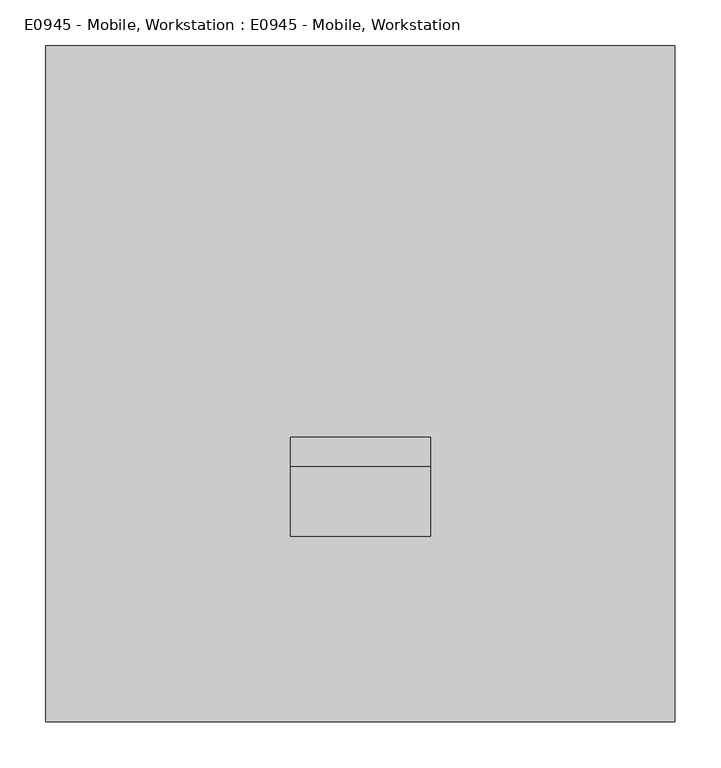
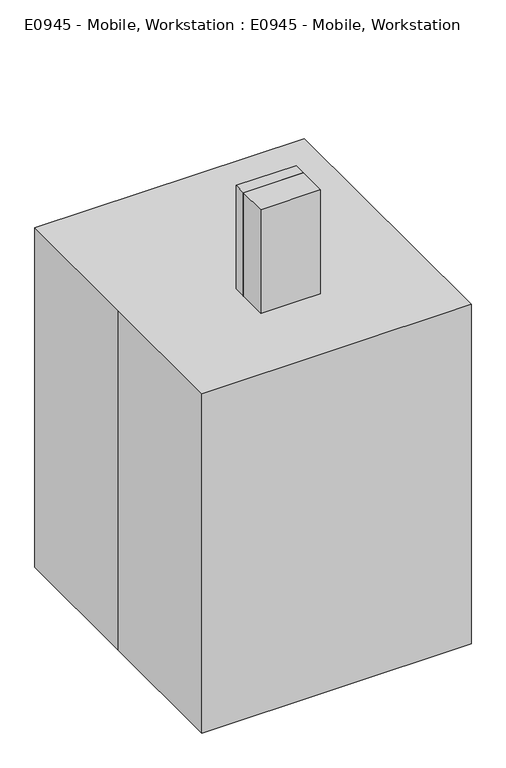
"""IFC4 building model written with IfcOpenShell, lengths in millimetres: proxy geometry, E0945 - Mobile, Workstation : E0945 - Mobile, Workstation."""

from ifc_helpers import new_model, si_unit, point, frame, frame_2d, origin, origin_with_axes, place, context, project, spatial, polyline, circle_curve, trimmed, segment, composite_curve, outline, extrude, faceted_brep, source, transform, mapped, element, save


def e0945_mobile_workstation_e0945_mobile_workstation_f796635f(model_context):
    return source(origin(), model_context, "Body", "SolidModel", [
        extrude(outline(polyline([(196.85, 635.0), (196.85, 609.6), (-58.0280886, 444.5), (-58.0280886, 635.0), (196.85, 635.0)])), frame((57.15, 0.0, 0.0), z_axis=(1.0, 0.0, 0.0), x_axis=(0.0, 1.0, 0.0)), (0.0, 0.0, 1.0), 19.05),
        faceted_brep([(211.1375, 4.7625, 644.525), (211.1375, 255.5875, 644.525), (211.1375, 255.5875, 639.7625), (211.1375, 4.7625, 639.7625), (215.9, 0.0, 644.525), (215.9, 0.0, 635.0), (215.9, 260.35, 635.0), (215.9, 260.35, 644.525), (-211.1375, 255.5875, 644.525), (-211.1375, 255.5875, 639.7625), (-215.9, 260.35, 635.0), (-215.9, 260.35, 644.525), (-211.1375, 4.7625, 644.525), (-211.1375, 4.7625, 639.7625), (-215.9, 0.0, 635.0), (-215.9, 0.0, 644.525)], [[[0, 1, 2, 3]], [[4, 5, 6, 7]], [[1, 8, 9, 2]], [[6, 10, 11, 7]], [[8, 12, 13, 9]], [[10, 14, 15, 11]], [[3, 13, 12, 0]], [[7, 11, 15, 4], [0, 12, 8, 1]], [[4, 15, 14, 5]], [[5, 14, 10, 6]], [[2, 9, 13, 3]]]),
        extrude(outline(polyline([(196.85, 635.0), (196.85, 609.6), (-58.0280886, 444.5), (-58.0280886, 635.0), (196.85, 635.0)])), frame((-76.2, 0.0, 0.0), z_axis=(1.0, 0.0, 0.0), x_axis=(0.0, 1.0, 0.0)), (0.0, 0.0, 1.0), 19.05),
        extrude(outline(polyline([(76.2, -89.7780886), (-76.2, -89.7780886), (-76.2, -58.0280886), (76.2, -58.0280886), (76.2, -89.7780886)])), frame((0.0, 0.0, 444.5), z_axis=(0.0, 0.0, 1.0), x_axis=(1.0, 0.0, 0.0)), (0.0, 0.0, 1.0), 749.3),
        extrude(outline(composite_curve([segment(polyline([(-165.9780886, 1193.8), (-89.7780886, 1193.8), (-89.7780886, 182.7496596)]), True, "CONTINUOUS"), segment(trimmed(circle_curve(frame_2d((-29.5735373, 190.9359281)), 60.7585631), [point((-89.7780886, 182.7496596))], [point((-62.2305834, 139.7))], True, "CARTESIAN"), True, "CONTINUOUS"), segment(polyline([(-62.2305834, 139.7), (-165.9780886, 139.7), (-165.9780886, 1193.8)]), True, "CONTINUOUS")], self_intersect=False)), frame((-76.2, 0.0, 0.0), z_axis=(1.0, 0.0, 0.0), x_axis=(0.0, 1.0, 0.0)), (0.0, 0.0, 1.0), 152.4),
        extrude(outline(composite_curve([segment(trimmed(circle_curve(frame_2d((-215.9, -257.2471418)), 9.525), [point((-206.375, -257.2471418))], [point((-225.425, -257.2471418))], False, "CARTESIAN"), True, "CONTINUOUS"), segment(trimmed(circle_curve(frame_2d((-215.9, -257.2471418)), 9.525), [point((-225.425, -257.2471418))], [point((-206.375, -257.2471418))], False, "CARTESIAN"), True, "CONTINUOUS")], self_intersect=False)), frame((0.0, 0.0, 38.9774203), z_axis=(0.0, 0.0, 1.0), x_axis=(1.0, 0.0, 0.0)), (0.0, 0.0, 1.0), 49.9225797),
        extrude(outline(composite_curve([segment(trimmed(circle_curve(frame_2d((-260.2876401, 38.1)), 38.1), [point((-298.3876401, 38.1))], [point((-222.1876401, 38.1))], False, "CARTESIAN"), True, "CONTINUOUS"), segment(trimmed(circle_curve(frame_2d((-260.2876401, 38.1)), 38.1), [point((-222.1876401, 38.1))], [point((-298.3876401, 38.1))], False, "CARTESIAN"), True, "CONTINUOUS")], self_intersect=False)), frame((-206.375, 0.0, 0.0), z_axis=(1.0, 0.0, 0.0), x_axis=(0.0, 1.0, 0.0)), (0.0, 0.0, 1.0), 9.525),
        extrude(outline(composite_curve([segment(trimmed(circle_curve(frame_2d((-260.35, 38.1)), 19.05), [point((-279.4, 38.1))], [point((-241.3, 38.1))], False, "CARTESIAN"), True, "CONTINUOUS"), segment(trimmed(circle_curve(frame_2d((-260.35, 38.1)), 19.05), [point((-241.3, 38.1))], [point((-279.4, 38.1))], False, "CARTESIAN"), True, "CONTINUOUS")], self_intersect=False)), frame((-225.425, 0.0, 0.0), z_axis=(1.0, 0.0, 0.0), x_axis=(0.0, 1.0, 0.0)), (0.0, 0.0, 1.0), 19.05),
        extrude(outline(composite_curve([segment(trimmed(circle_curve(frame_2d((-260.2876401, 38.1)), 38.1), [point((-298.3876401, 38.1))], [point((-222.1876401, 38.1))], False, "CARTESIAN"), True, "CONTINUOUS"), segment(trimmed(circle_curve(frame_2d((-260.2876401, 38.1)), 38.1), [point((-222.1876401, 38.1))], [point((-298.3876401, 38.1))], False, "CARTESIAN"), True, "CONTINUOUS")], self_intersect=False)), frame((-234.95, 0.0, 0.0), z_axis=(1.0, 0.0, 0.0), x_axis=(0.0, 1.0, 0.0)), (0.0, 0.0, 1.0), 9.525),
        extrude(outline(composite_curve([segment(trimmed(circle_curve(frame_2d((-215.9, 257.2471418)), 9.525), [point((-206.375, 257.2471418))], [point((-225.425, 257.2471418))], False, "CARTESIAN"), True, "CONTINUOUS"), segment(trimmed(circle_curve(frame_2d((-215.9, 257.2471418)), 9.525), [point((-225.425, 257.2471418))], [point((-206.375, 257.2471418))], False, "CARTESIAN"), True, "CONTINUOUS")], self_intersect=False)), frame((0.0, 0.0, 38.9774203), z_axis=(0.0, 0.0, 1.0), x_axis=(1.0, 0.0, 0.0)), (0.0, 0.0, 1.0), 49.9225797),
        extrude(outline(composite_curve([segment(trimmed(circle_curve(frame_2d((260.2876401, 38.1)), 38.1), [point((298.3876401, 38.1))], [point((222.1876401, 38.1))], False, "CARTESIAN"), True, "CONTINUOUS"), segment(trimmed(circle_curve(frame_2d((260.2876401, 38.1)), 38.1), [point((222.1876401, 38.1))], [point((298.3876401, 38.1))], False, "CARTESIAN"), True, "CONTINUOUS")], self_intersect=False)), frame((-206.375, 0.0, 0.0), z_axis=(1.0, 0.0, 0.0), x_axis=(0.0, 1.0, 0.0)), (0.0, 0.0, 1.0), 9.525),
        extrude(outline(composite_curve([segment(trimmed(circle_curve(frame_2d((260.35, 38.1)), 19.05), [point((279.4, 38.1))], [point((241.3, 38.1))], False, "CARTESIAN"), True, "CONTINUOUS"), segment(trimmed(circle_curve(frame_2d((260.35, 38.1)), 19.05), [point((241.3, 38.1))], [point((279.4, 38.1))], False, "CARTESIAN"), True, "CONTINUOUS")], self_intersect=False)), frame((-225.425, 0.0, 0.0), z_axis=(1.0, 0.0, 0.0), x_axis=(0.0, 1.0, 0.0)), (0.0, 0.0, 1.0), 19.05),
        extrude(outline(composite_curve([segment(trimmed(circle_curve(frame_2d((260.2876401, 38.1)), 38.1), [point((298.3876401, 38.1))], [point((222.1876401, 38.1))], False, "CARTESIAN"), True, "CONTINUOUS"), segment(trimmed(circle_curve(frame_2d((260.2876401, 38.1)), 38.1), [point((222.1876401, 38.1))], [point((298.3876401, 38.1))], False, "CARTESIAN"), True, "CONTINUOUS")], self_intersect=False)), frame((-234.95, 0.0, 0.0), z_axis=(1.0, 0.0, 0.0), x_axis=(0.0, 1.0, 0.0)), (0.0, 0.0, 1.0), 9.525),
        extrude(outline(composite_curve([segment(trimmed(circle_curve(frame_2d((215.9, -257.2471418)), 9.525), [point((206.375, -257.2471418))], [point((225.425, -257.2471418))], False, "CARTESIAN"), True, "CONTINUOUS"), segment(trimmed(circle_curve(frame_2d((215.9, -257.2471418)), 9.525), [point((225.425, -257.2471418))], [point((206.375, -257.2471418))], False, "CARTESIAN"), True, "CONTINUOUS")], self_intersect=False)), frame((0.0, 0.0, 38.9774203), z_axis=(0.0, 0.0, 1.0), x_axis=(1.0, 0.0, 0.0)), (0.0, 0.0, 1.0), 49.9225797),
        extrude(outline(composite_curve([segment(trimmed(circle_curve(frame_2d((-260.2876401, 38.1)), 38.1), [point((-298.3876401, 38.1))], [point((-222.1876401, 38.1))], False, "CARTESIAN"), True, "CONTINUOUS"), segment(trimmed(circle_curve(frame_2d((-260.2876401, 38.1)), 38.1), [point((-222.1876401, 38.1))], [point((-298.3876401, 38.1))], False, "CARTESIAN"), True, "CONTINUOUS")], self_intersect=False)), frame((196.85, 0.0, 0.0), z_axis=(1.0, 0.0, 0.0), x_axis=(0.0, 1.0, 0.0)), (0.0, 0.0, 1.0), 9.525),
        extrude(outline(composite_curve([segment(trimmed(circle_curve(frame_2d((-260.35, 38.1)), 19.05), [point((-279.4, 38.1))], [point((-241.3, 38.1))], False, "CARTESIAN"), True, "CONTINUOUS"), segment(trimmed(circle_curve(frame_2d((-260.35, 38.1)), 19.05), [point((-241.3, 38.1))], [point((-279.4, 38.1))], False, "CARTESIAN"), True, "CONTINUOUS")], self_intersect=False)), frame((206.375, 0.0, 0.0), z_axis=(1.0, 0.0, 0.0), x_axis=(0.0, 1.0, 0.0)), (0.0, 0.0, 1.0), 19.05),
        extrude(outline(composite_curve([segment(trimmed(circle_curve(frame_2d((-260.2876401, 38.1)), 38.1), [point((-298.3876401, 38.1))], [point((-222.1876401, 38.1))], False, "CARTESIAN"), True, "CONTINUOUS"), segment(trimmed(circle_curve(frame_2d((-260.2876401, 38.1)), 38.1), [point((-222.1876401, 38.1))], [point((-298.3876401, 38.1))], False, "CARTESIAN"), True, "CONTINUOUS")], self_intersect=False)), frame((225.425, 0.0, 0.0), z_axis=(1.0, 0.0, 0.0), x_axis=(0.0, 1.0, 0.0)), (0.0, 0.0, 1.0), 9.525),
        extrude(outline(composite_curve([segment(trimmed(circle_curve(frame_2d((215.9, 257.2471418)), 9.525), [point((206.375, 257.2471418))], [point((225.425, 257.2471418))], False, "CARTESIAN"), True, "CONTINUOUS"), segment(trimmed(circle_curve(frame_2d((215.9, 257.2471418)), 9.525), [point((225.425, 257.2471418))], [point((206.375, 257.2471418))], False, "CARTESIAN"), True, "CONTINUOUS")], self_intersect=False)), frame((0.0, 0.0, 38.9774203), z_axis=(0.0, 0.0, 1.0), x_axis=(1.0, 0.0, 0.0)), (0.0, 0.0, 1.0), 49.9225797),
        extrude(outline(composite_curve([segment(trimmed(circle_curve(frame_2d((260.2876401, 38.1)), 38.1), [point((298.3876401, 38.1))], [point((222.1876401, 38.1))], False, "CARTESIAN"), True, "CONTINUOUS"), segment(trimmed(circle_curve(frame_2d((260.2876401, 38.1)), 38.1), [point((222.1876401, 38.1))], [point((298.3876401, 38.1))], False, "CARTESIAN"), True, "CONTINUOUS")], self_intersect=False)), frame((196.85, 0.0, 0.0), z_axis=(1.0, 0.0, 0.0), x_axis=(0.0, 1.0, 0.0)), (0.0, 0.0, 1.0), 9.525),
        extrude(outline(composite_curve([segment(trimmed(circle_curve(frame_2d((260.35, 38.1)), 19.05), [point((279.4, 38.1))], [point((241.3, 38.1))], False, "CARTESIAN"), True, "CONTINUOUS"), segment(trimmed(circle_curve(frame_2d((260.35, 38.1)), 19.05), [point((241.3, 38.1))], [point((279.4, 38.1))], False, "CARTESIAN"), True, "CONTINUOUS")], self_intersect=False)), frame((206.375, 0.0, 0.0), z_axis=(1.0, 0.0, 0.0), x_axis=(0.0, 1.0, 0.0)), (0.0, 0.0, 1.0), 19.05),
        extrude(outline(composite_curve([segment(trimmed(circle_curve(frame_2d((260.2876401, 38.1)), 38.1), [point((298.3876401, 38.1))], [point((222.1876401, 38.1))], False, "CARTESIAN"), True, "CONTINUOUS"), segment(trimmed(circle_curve(frame_2d((260.2876401, 38.1)), 38.1), [point((222.1876401, 38.1))], [point((298.3876401, 38.1))], False, "CARTESIAN"), True, "CONTINUOUS")], self_intersect=False)), frame((225.425, 0.0, 0.0), z_axis=(1.0, 0.0, 0.0), x_axis=(0.0, 1.0, 0.0)), (0.0, 0.0, 1.0), 9.525),
        extrude(outline(composite_curve([segment(polyline([(93.9865963, -192.9187071), (-93.9865963, -192.9187071), (-176.6628647, -292.6165602)]), True, "CONTINUOUS"), segment(trimmed(circle_curve(frame_2d((-215.7665691, -260.189098)), 50.8), [point((-176.6628647, -292.6165602))], [point((-254.8702735, -227.7616359))], False, "CARTESIAN"), True, "CONTINUOUS"), segment(polyline([(-254.8702735, -227.7616359), (-152.4, -104.1945414), (-152.4, 104.1945414), (-254.8702735, 227.7616359)]), True, "CONTINUOUS"), segment(trimmed(circle_curve(frame_2d((-215.7665691, 260.189098)), 50.8), [point((-254.8702735, 227.7616359))], [point((-176.6628647, 292.6165602))], False, "CARTESIAN"), True, "CONTINUOUS"), segment(polyline([(-176.6628647, 292.6165602), (-53.1141065, 143.6312929), (53.1141065, 143.6312929), (176.6628647, 292.6165602)]), True, "CONTINUOUS"), segment(trimmed(circle_curve(frame_2d((215.7665691, 260.189098)), 50.8), [point((176.6628647, 292.6165602))], [point((254.8702735, 227.7616359))], False, "CARTESIAN"), True, "CONTINUOUS"), segment(polyline([(254.8702735, 227.7616359), (152.4, 104.1945414), (152.4, -104.1945414), (254.8702735, -227.7616359)]), True, "CONTINUOUS"), segment(trimmed(circle_curve(frame_2d((215.7665691, -260.189098)), 50.8), [point((254.8702735, -227.7616359))], [point((176.6628647, -292.6165602))], False, "CARTESIAN"), True, "CONTINUOUS"), segment(polyline([(176.6628647, -292.6165602), (93.9865963, -192.9187071)]), True, "CONTINUOUS")], self_intersect=False)), frame((0.0, 0.0, 88.9), z_axis=(0.0, 0.0, 1.0), x_axis=(1.0, 0.0, 0.0)), (0.0, 0.0, 1.0), 50.8),
        extrude(outline(polyline([(-342.9, -368.3), (-342.9, 0.0), (-342.9, 368.3), (342.9, 368.3), (342.9, -368.3), (-342.9, -368.3)])), origin_with_axes(), (0.0, 0.0, 1.0), 914.4),
    ])


if __name__ == "__main__":
    model = new_model("IFC4")
    model_context = context("Model", 3, world=origin())
    ifc_project = project(units=[si_unit("LENGTHUNIT", "METRE", prefix="MILLI")], contexts=[model_context])
    site = spatial("IfcSite", under=ifc_project)
    building = spatial("IfcBuilding", under=site)
    placement = place(None, origin())
    e0945_mobile_workstation_e0945_mobile_workstation_shape = e0945_mobile_workstation_e0945_mobile_workstation_f796635f(model_context)
    element("IfcBuildingElementProxy", 1, Name="E0945 - Mobile, Workstation : E0945 - Mobile, Workstation", ObjectType="E0945 - Mobile, Workstation : E0945 - Mobile, Workstation", at=placement, inside=building, context=model_context, shape_type="MappedRepresentation", body=[
        mapped(e0945_mobile_workstation_e0945_mobile_workstation_shape, transform((0.0, 0.0, 0.0), x_axis=(1.0, 0.0, 0.0), y_axis=(0.0, 1.0, 0.0), z_axis=(0.0, 0.0, 1.0))),
    ])
    save(model, "model.ifc")
